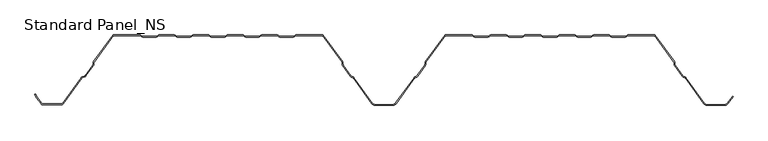
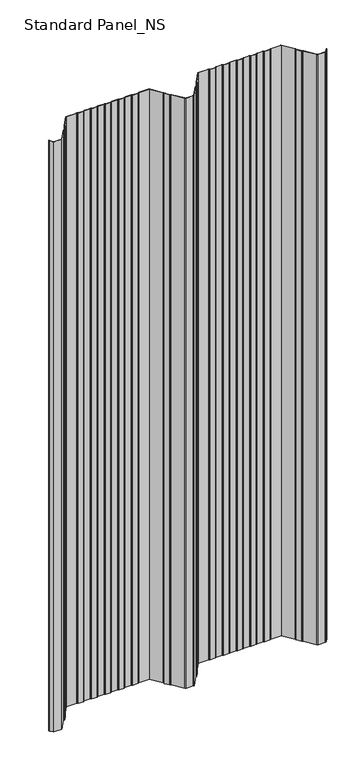
"""IFC4 building model written with IfcOpenShell, lengths in millimetres: proxy geometry, Standard Panel_NS."""

from ifc_helpers import new_model, si_unit, point, frame, frame_2d, origin, place, context, project, spatial, polyline, circle_curve, trimmed, segment, composite_curve, outline, extrude, source, transform, mapped, element, save


def standard_panel_ns_c4294a76(model_context):
    return source(origin(), model_context, "Body", "SweptSolid", [
        extrude(outline(composite_curve([segment(polyline([(-477.8230656, -98.864737), (-484.391455, -89.8048897), (-486.5883845, -85.4014829), (-485.6935696, -84.9550455), (-483.5334489, -89.2846747), (-477.0134552, -98.2777695)]), True, "CONTINUOUS"), segment(trimmed(circle_curve(frame_2d((-475.5977664, -97.2513951)), 1.7486049), [point((-477.0134552, -98.2777695))], [point((-475.5977664, -99.0))], True, "CARTESIAN"), True, "CONTINUOUS"), segment(polyline([(-475.5977664, -99.0), (-448.4022336, -99.0)]), True, "CONTINUOUS"), segment(trimmed(circle_curve(frame_2d((-448.4022336, -97.2513951)), 1.7486049), [point((-448.4022336, -99.0))], [point((-446.9865448, -98.2777695))], True, "CARTESIAN"), True, "CONTINUOUS"), segment(polyline([(-446.9865448, -98.2777695), (-420.1908292, -61.3181617)]), True, "CONTINUOUS"), segment(trimmed(circle_curve(frame_2d((-417.96553, -62.9315037)), 2.7486049), [point((-420.1908292, -61.3181617))], [point((-418.9221697, -60.3547481))], False, "CARTESIAN"), True, "CONTINUOUS"), segment(polyline([(-418.9221697, -60.3547481), (-415.1284966, -58.9463185)]), True, "CONTINUOUS"), segment(trimmed(circle_curve(frame_2d((-415.7370908, -57.3070406)), 1.7486049), [point((-415.1284966, -58.9463185))], [point((-414.321402, -58.333415))], True, "CARTESIAN"), True, "CONTINUOUS"), segment(polyline([(-414.321402, -58.333415), (-403.5718646, -43.5064668)]), True, "CONTINUOUS"), segment(trimmed(circle_curve(frame_2d((-404.9875533, -42.4800924)), 1.7486049), [point((-403.5718646, -43.5064668))], [point((-403.240299, -42.5488047))], True, "CARTESIAN"), True, "CONTINUOUS"), segment(polyline([(-403.240299, -42.5488047), (-403.1521237, -40.3066321)]), True, "CONTINUOUS"), segment(trimmed(circle_curve(frame_2d((-400.4056417, -40.4146398)), 2.7486049), [point((-403.1521237, -40.3066321))], [point((-402.6309409, -38.8012978))], False, "CARTESIAN"), True, "CONTINUOUS"), segment(polyline([(-402.6309409, -38.8012978), (-374.5, 0.0), (-336.1655439, 0.0)]), True, "CONTINUOUS"), segment(trimmed(circle_curve(frame_2d((-336.1655439, -2.7486049)), 2.7486049), [point((-336.1655439, 0.0))], [point((-334.6408923, -0.4616274))], False, "CARTESIAN"), True, "CONTINUOUS"), segment(polyline([(-334.6408923, -0.4616274), (-332.7738498, -1.7063223)]), True, "CONTINUOUS"), segment(trimmed(circle_curve(frame_2d((-331.8038984, -0.2513951)), 1.7486049), [point((-332.7738498, -1.7063223))], [point((-331.8038984, -2.0))], True, "CARTESIAN"), True, "CONTINUOUS"), segment(polyline([(-331.8038984, -2.0), (-312.8627683, -2.0)]), True, "CONTINUOUS"), segment(trimmed(circle_curve(frame_2d((-312.8627683, -0.2513951)), 1.7486049), [point((-312.8627683, -2.0))], [point((-311.8928168, -1.7063223))], True, "CARTESIAN"), True, "CONTINUOUS"), segment(polyline([(-311.8928168, -1.7063223), (-310.0257744, -0.4616274)]), True, "CONTINUOUS"), segment(trimmed(circle_curve(frame_2d((-308.5011227, -2.7486049)), 2.7486049), [point((-310.0257744, -0.4616274))], [point((-308.5011227, 0.0))], False, "CARTESIAN"), True, "CONTINUOUS"), segment(polyline([(-308.5011227, 0.0), (-286.9988773, 0.0)]), True, "CONTINUOUS"), segment(trimmed(circle_curve(frame_2d((-286.9988773, -2.7486049)), 2.7486049), [point((-286.9988773, 0.0))], [point((-285.4742256, -0.4616274))], False, "CARTESIAN"), True, "CONTINUOUS"), segment(polyline([(-285.4742256, -0.4616274), (-283.6071832, -1.7063223)]), True, "CONTINUOUS"), segment(trimmed(circle_curve(frame_2d((-282.6372317, -0.2513951)), 1.7486049), [point((-283.6071832, -1.7063223))], [point((-282.6372317, -2.0))], True, "CARTESIAN"), True, "CONTINUOUS"), segment(polyline([(-282.6372317, -2.0), (-263.6961016, -2.0)]), True, "CONTINUOUS"), segment(trimmed(circle_curve(frame_2d((-263.6961016, -0.2513951)), 1.7486049), [point((-263.6961016, -2.0))], [point((-262.7261502, -1.7063223))], True, "CARTESIAN"), True, "CONTINUOUS"), segment(polyline([(-262.7261502, -1.7063223), (-260.8591077, -0.4616274)]), True, "CONTINUOUS"), segment(trimmed(circle_curve(frame_2d((-259.3344561, -2.7486049)), 2.7486049), [point((-260.8591077, -0.4616274))], [point((-259.3344561, 0.0))], False, "CARTESIAN"), True, "CONTINUOUS"), segment(polyline([(-259.3344561, 0.0), (-237.8322106, 0.0)]), True, "CONTINUOUS"), segment(trimmed(circle_curve(frame_2d((-237.8322106, -2.7486049)), 2.7486049), [point((-237.8322106, 0.0))], [point((-236.3075589, -0.4616274))], False, "CARTESIAN"), True, "CONTINUOUS"), segment(polyline([(-236.3075589, -0.4616274), (-234.4405165, -1.7063223)]), True, "CONTINUOUS"), segment(trimmed(circle_curve(frame_2d((-233.470565, -0.2513951)), 1.7486049), [point((-234.4405165, -1.7063223))], [point((-233.470565, -2.0))], True, "CARTESIAN"), True, "CONTINUOUS"), segment(polyline([(-233.470565, -2.0), (-214.529435, -2.0)]), True, "CONTINUOUS"), segment(trimmed(circle_curve(frame_2d((-214.529435, -0.2513951)), 1.7486049), [point((-214.529435, -2.0))], [point((-213.5594835, -1.7063223))], True, "CARTESIAN"), True, "CONTINUOUS"), segment(polyline([(-213.5594835, -1.7063223), (-211.6924411, -0.4616274)]), True, "CONTINUOUS"), segment(trimmed(circle_curve(frame_2d((-210.1677894, -2.7486049)), 2.7486049), [point((-211.6924411, -0.4616274))], [point((-210.1677894, 0.0))], False, "CARTESIAN"), True, "CONTINUOUS"), segment(polyline([(-210.1677894, 0.0), (-188.6655439, 0.0)]), True, "CONTINUOUS"), segment(trimmed(circle_curve(frame_2d((-188.6655439, -2.7486049)), 2.7486049), [point((-188.6655439, 0.0))], [point((-187.1408923, -0.4616274))], False, "CARTESIAN"), True, "CONTINUOUS"), segment(polyline([(-187.1408923, -0.4616274), (-185.2738498, -1.7063223)]), True, "CONTINUOUS"), segment(trimmed(circle_curve(frame_2d((-184.3038984, -0.2513951)), 1.7486049), [point((-185.2738498, -1.7063223))], [point((-184.3038984, -2.0))], True, "CARTESIAN"), True, "CONTINUOUS"), segment(polyline([(-184.3038984, -2.0), (-165.3627683, -2.0)]), True, "CONTINUOUS"), segment(trimmed(circle_curve(frame_2d((-165.3627683, -0.2513951)), 1.7486049), [point((-165.3627683, -2.0))], [point((-164.3928168, -1.7063223))], True, "CARTESIAN"), True, "CONTINUOUS"), segment(polyline([(-164.3928168, -1.7063223), (-162.5257744, -0.4616274)]), True, "CONTINUOUS"), segment(trimmed(circle_curve(frame_2d((-161.0011227, -2.7486049)), 2.7486049), [point((-162.5257744, -0.4616274))], [point((-161.0011227, 0.0))], False, "CARTESIAN"), True, "CONTINUOUS"), segment(polyline([(-161.0011227, 0.0), (-139.4988773, 0.0)]), True, "CONTINUOUS"), segment(trimmed(circle_curve(frame_2d((-139.4988773, -2.7486049)), 2.7486049), [point((-139.4988773, 0.0))], [point((-137.9742256, -0.4616274))], False, "CARTESIAN"), True, "CONTINUOUS"), segment(polyline([(-137.9742256, -0.4616274), (-136.1071832, -1.7063223)]), True, "CONTINUOUS"), segment(trimmed(circle_curve(frame_2d((-135.1372317, -0.2513951)), 1.7486049), [point((-136.1071832, -1.7063223))], [point((-135.1372317, -2.0))], True, "CARTESIAN"), True, "CONTINUOUS"), segment(polyline([(-135.1372317, -2.0), (-116.1961016, -2.0)]), True, "CONTINUOUS"), segment(trimmed(circle_curve(frame_2d((-116.1961016, -0.2513951)), 1.7486049), [point((-116.1961016, -2.0))], [point((-115.2261502, -1.7063223))], True, "CARTESIAN"), True, "CONTINUOUS"), segment(polyline([(-115.2261502, -1.7063223), (-113.3591077, -0.4616274)]), True, "CONTINUOUS"), segment(trimmed(circle_curve(frame_2d((-111.8344561, -2.7486049)), 2.7486049), [point((-113.3591077, -0.4616274))], [point((-111.8344561, 0.0))], False, "CARTESIAN"), True, "CONTINUOUS"), segment(polyline([(-111.8344561, 0.0), (-73.5, 0.0), (-45.3690591, -38.8012978)]), True, "CONTINUOUS"), segment(trimmed(circle_curve(frame_2d((-47.5943583, -40.4146398)), 2.7486049), [point((-45.3690591, -38.8012978))], [point((-44.8478763, -40.3066321))], False, "CARTESIAN"), True, "CONTINUOUS"), segment(polyline([(-44.8478763, -40.3066321), (-44.759701, -42.5488047)]), True, "CONTINUOUS"), segment(trimmed(circle_curve(frame_2d((-43.0124467, -42.4800924)), 1.7486049), [point((-44.759701, -42.5488047))], [point((-44.4281354, -43.5064668))], True, "CARTESIAN"), True, "CONTINUOUS"), segment(polyline([(-44.4281354, -43.5064668), (-33.3103063, -58.8414035)]), True, "CONTINUOUS"), segment(trimmed(circle_curve(frame_2d((-31.8946175, -57.8150291)), 1.7486049), [point((-33.3103063, -58.8414035))], [point((-32.5032117, -59.4543071))], True, "CARTESIAN"), True, "CONTINUOUS"), segment(polyline([(-32.5032117, -59.4543071), (-30.3996004, -60.2352885)]), True, "CONTINUOUS"), segment(trimmed(circle_curve(frame_2d((-31.3562402, -62.8120441)), 2.7486049), [point((-30.3996004, -60.2352885))], [point((-29.1309409, -61.1987022))], False, "CARTESIAN"), True, "CONTINUOUS"), segment(polyline([(-29.1309409, -61.1987022), (-2.4972426, -97.9348379)]), True, "CONTINUOUS"), segment(trimmed(circle_curve(frame_2d((1.5508097, -95.0)), 5.0), [point((-2.4972426, -97.9348379))], [point((1.5508097, -100.0))], True, "CARTESIAN"), True, "CONTINUOUS"), segment(polyline([(1.5508097, -100.0), (26.4491903, -100.0)]), True, "CONTINUOUS"), segment(trimmed(circle_curve(frame_2d((26.4491903, -95.0)), 5.0), [point((26.4491903, -100.0))], [point((30.4972426, -97.9348379))], True, "CARTESIAN"), True, "CONTINUOUS"), segment(polyline([(30.4972426, -97.9348379), (57.1309409, -61.1987022)]), True, "CONTINUOUS"), segment(trimmed(circle_curve(frame_2d((59.3562402, -62.8120441)), 2.7486049), [point((57.1309409, -61.1987022))], [point((58.3996004, -60.2352885))], False, "CARTESIAN"), True, "CONTINUOUS"), segment(polyline([(58.3996004, -60.2352885), (60.5032117, -59.4543071)]), True, "CONTINUOUS"), segment(trimmed(circle_curve(frame_2d((59.8946175, -57.8150291)), 1.7486049), [point((60.5032117, -59.4543071))], [point((61.3103063, -58.8414035))], True, "CARTESIAN"), True, "CONTINUOUS"), segment(polyline([(61.3103063, -58.8414035), (72.4281354, -43.5064668)]), True, "CONTINUOUS"), segment(trimmed(circle_curve(frame_2d((71.0124467, -42.4800924)), 1.7486049), [point((72.4281354, -43.5064668))], [point((72.759701, -42.5488047))], True, "CARTESIAN"), True, "CONTINUOUS"), segment(polyline([(72.759701, -42.5488047), (72.8478763, -40.3066321)]), True, "CONTINUOUS"), segment(trimmed(circle_curve(frame_2d((75.5943583, -40.4146398)), 2.7486049), [point((72.8478763, -40.3066321))], [point((73.3690591, -38.8012978))], False, "CARTESIAN"), True, "CONTINUOUS"), segment(polyline([(73.3690591, -38.8012978), (101.5, 0.0), (139.8344561, 0.0)]), True, "CONTINUOUS"), segment(trimmed(circle_curve(frame_2d((139.8344561, -2.7486049)), 2.7486049), [point((139.8344561, 0.0))], [point((141.3591077, -0.4616274))], False, "CARTESIAN"), True, "CONTINUOUS"), segment(polyline([(141.3591077, -0.4616274), (143.2261502, -1.7063223)]), True, "CONTINUOUS"), segment(trimmed(circle_curve(frame_2d((144.1961016, -0.2513951)), 1.7486049), [point((143.2261502, -1.7063223))], [point((144.1961016, -2.0))], True, "CARTESIAN"), True, "CONTINUOUS"), segment(polyline([(144.1961016, -2.0), (163.1372317, -2.0)]), True, "CONTINUOUS"), segment(trimmed(circle_curve(frame_2d((163.1372317, -0.2513951)), 1.7486049), [point((163.1372317, -2.0))], [point((164.1071832, -1.7063223))], True, "CARTESIAN"), True, "CONTINUOUS"), segment(polyline([(164.1071832, -1.7063223), (165.9742256, -0.4616274)]), True, "CONTINUOUS"), segment(trimmed(circle_curve(frame_2d((167.4988773, -2.7486049)), 2.7486049), [point((165.9742256, -0.4616274))], [point((167.4988773, 0.0))], False, "CARTESIAN"), True, "CONTINUOUS"), segment(polyline([(167.4988773, 0.0), (189.0011227, 0.0)]), True, "CONTINUOUS"), segment(trimmed(circle_curve(frame_2d((189.0011227, -2.7486049)), 2.7486049), [point((189.0011227, 0.0))], [point((190.5257744, -0.4616274))], False, "CARTESIAN"), True, "CONTINUOUS"), segment(polyline([(190.5257744, -0.4616274), (192.3928168, -1.7063223)]), True, "CONTINUOUS"), segment(trimmed(circle_curve(frame_2d((193.3627683, -0.2513951)), 1.7486049), [point((192.3928168, -1.7063223))], [point((193.3627683, -2.0))], True, "CARTESIAN"), True, "CONTINUOUS"), segment(polyline([(193.3627683, -2.0), (212.3038984, -2.0)]), True, "CONTINUOUS"), segment(trimmed(circle_curve(frame_2d((212.3038984, -0.2513951)), 1.7486049), [point((212.3038984, -2.0))], [point((213.2738498, -1.7063223))], True, "CARTESIAN"), True, "CONTINUOUS"), segment(polyline([(213.2738498, -1.7063223), (215.1408923, -0.4616274)]), True, "CONTINUOUS"), segment(trimmed(circle_curve(frame_2d((216.6655439, -2.7486049)), 2.7486049), [point((215.1408923, -0.4616274))], [point((216.6655439, 0.0))], False, "CARTESIAN"), True, "CONTINUOUS"), segment(polyline([(216.6655439, 0.0), (238.1677894, 0.0)]), True, "CONTINUOUS"), segment(trimmed(circle_curve(frame_2d((238.1677894, -2.7486049)), 2.7486049), [point((238.1677894, 0.0))], [point((239.6924411, -0.4616274))], False, "CARTESIAN"), True, "CONTINUOUS"), segment(polyline([(239.6924411, -0.4616274), (241.5594835, -1.7063223)]), True, "CONTINUOUS"), segment(trimmed(circle_curve(frame_2d((242.529435, -0.2513951)), 1.7486049), [point((241.5594835, -1.7063223))], [point((242.529435, -2.0))], True, "CARTESIAN"), True, "CONTINUOUS"), segment(polyline([(242.529435, -2.0), (261.470565, -2.0)]), True, "CONTINUOUS"), segment(trimmed(circle_curve(frame_2d((261.470565, -0.2513951)), 1.7486049), [point((261.470565, -2.0))], [point((262.4405165, -1.7063223))], True, "CARTESIAN"), True, "CONTINUOUS"), segment(polyline([(262.4405165, -1.7063223), (264.3075589, -0.4616274)]), True, "CONTINUOUS"), segment(trimmed(circle_curve(frame_2d((265.8322106, -2.7486049)), 2.7486049), [point((264.3075589, -0.4616274))], [point((265.8322106, 0.0))], False, "CARTESIAN"), True, "CONTINUOUS"), segment(polyline([(265.8322106, 0.0), (287.3344561, 0.0)]), True, "CONTINUOUS"), segment(trimmed(circle_curve(frame_2d((287.3344561, -2.7486049)), 2.7486049), [point((287.3344561, 0.0))], [point((288.8591077, -0.4616274))], False, "CARTESIAN"), True, "CONTINUOUS"), segment(polyline([(288.8591077, -0.4616274), (290.7261502, -1.7063223)]), True, "CONTINUOUS"), segment(trimmed(circle_curve(frame_2d((291.6961016, -0.2513951)), 1.7486049), [point((290.7261502, -1.7063223))], [point((291.6961016, -2.0))], True, "CARTESIAN"), True, "CONTINUOUS"), segment(polyline([(291.6961016, -2.0), (310.6372317, -2.0)]), True, "CONTINUOUS"), segment(trimmed(circle_curve(frame_2d((310.6372317, -0.2513951)), 1.7486049), [point((310.6372317, -2.0))], [point((311.6071832, -1.7063223))], True, "CARTESIAN"), True, "CONTINUOUS"), segment(polyline([(311.6071832, -1.7063223), (313.4742256, -0.4616274)]), True, "CONTINUOUS"), segment(trimmed(circle_curve(frame_2d((314.9988773, -2.7486049)), 2.7486049), [point((313.4742256, -0.4616274))], [point((314.9988773, 0.0))], False, "CARTESIAN"), True, "CONTINUOUS"), segment(polyline([(314.9988773, 0.0), (336.5011227, 0.0)]), True, "CONTINUOUS"), segment(trimmed(circle_curve(frame_2d((336.5011227, -2.7486049)), 2.7486049), [point((336.5011227, 0.0))], [point((338.0257744, -0.4616274))], False, "CARTESIAN"), True, "CONTINUOUS"), segment(polyline([(338.0257744, -0.4616274), (339.8928168, -1.7063223)]), True, "CONTINUOUS"), segment(trimmed(circle_curve(frame_2d((340.8627683, -0.2513951)), 1.7486049), [point((339.8928168, -1.7063223))], [point((340.8627683, -2.0))], True, "CARTESIAN"), True, "CONTINUOUS"), segment(polyline([(340.8627683, -2.0), (359.8038984, -2.0)]), True, "CONTINUOUS"), segment(trimmed(circle_curve(frame_2d((359.8038984, -0.2513951)), 1.7486049), [point((359.8038984, -2.0))], [point((360.7738498, -1.7063223))], True, "CARTESIAN"), True, "CONTINUOUS"), segment(polyline([(360.7738498, -1.7063223), (362.6408923, -0.4616274)]), True, "CONTINUOUS"), segment(trimmed(circle_curve(frame_2d((364.1655439, -2.7486049)), 2.7486049), [point((362.6408923, -0.4616274))], [point((364.1655439, 0.0))], False, "CARTESIAN"), True, "CONTINUOUS"), segment(polyline([(364.1655439, 0.0), (402.5, 0.0), (430.6309409, -38.8012978)]), True, "CONTINUOUS"), segment(trimmed(circle_curve(frame_2d((428.4056417, -40.4146398)), 2.7486049), [point((430.6309409, -38.8012978))], [point((431.1521237, -40.3066321))], False, "CARTESIAN"), True, "CONTINUOUS"), segment(polyline([(431.1521237, -40.3066321), (431.240299, -42.5488047)]), True, "CONTINUOUS"), segment(trimmed(circle_curve(frame_2d((432.9875533, -42.4800924)), 1.7486049), [point((431.240299, -42.5488047))], [point((431.5718646, -43.5064668))], True, "CARTESIAN"), True, "CONTINUOUS"), segment(polyline([(431.5718646, -43.5064668), (442.6896937, -58.8414035)]), True, "CONTINUOUS"), segment(trimmed(circle_curve(frame_2d((444.1053825, -57.8150291)), 1.7486049), [point((442.6896937, -58.8414035))], [point((443.4967883, -59.4543071))], True, "CARTESIAN"), True, "CONTINUOUS"), segment(polyline([(443.4967883, -59.4543071), (445.6003996, -60.2352885)]), True, "CONTINUOUS"), segment(trimmed(circle_curve(frame_2d((444.6437598, -62.8120441)), 2.7486049), [point((445.6003996, -60.2352885))], [point((446.8690591, -61.1987022))], False, "CARTESIAN"), True, "CONTINUOUS"), segment(polyline([(446.8690591, -61.1987022), (473.5027574, -97.9348379)]), True, "CONTINUOUS"), segment(trimmed(circle_curve(frame_2d((477.5508097, -95.0)), 5.0), [point((473.5027574, -97.9348379))], [point((477.5508097, -100.0))], True, "CARTESIAN"), True, "CONTINUOUS"), segment(polyline([(477.5508097, -100.0), (502.4491903, -100.0)]), True, "CONTINUOUS"), segment(trimmed(circle_curve(frame_2d((502.4491903, -95.0)), 5.0), [point((502.4491903, -100.0))], [point((506.4972426, -97.9348379))], True, "CARTESIAN"), True, "CONTINUOUS"), segment(polyline([(506.4972426, -97.9348379), (513.8045136, -87.8558433), (514.614124, -88.4428109), (507.306853, -98.5218054)]), True, "CONTINUOUS"), segment(trimmed(circle_curve(frame_2d((502.4491903, -95.0)), 6.0), [point((507.306853, -98.5218054))], [point((502.4491903, -101.0))], False, "CARTESIAN"), True, "CONTINUOUS"), segment(polyline([(502.4491903, -101.0), (477.5508097, -101.0)]), True, "CONTINUOUS"), segment(trimmed(circle_curve(frame_2d((477.5508097, -95.0)), 6.0), [point((477.5508097, -101.0))], [point((472.693147, -98.5218054))], False, "CARTESIAN"), True, "CONTINUOUS"), segment(polyline([(472.693147, -98.5218054), (446.0594486, -61.7856697)]), True, "CONTINUOUS"), segment(trimmed(circle_curve(frame_2d((444.6437598, -62.8120441)), 1.7486049), [point((446.0594486, -61.7856697))], [point((445.252354, -61.1727662))], True, "CARTESIAN"), True, "CONTINUOUS"), segment(polyline([(445.252354, -61.1727662), (443.1487427, -60.3917847)]), True, "CONTINUOUS"), segment(trimmed(circle_curve(frame_2d((444.1053825, -57.8150291)), 2.7486049), [point((443.1487427, -60.3917847))], [point((441.8800832, -59.4283711))], False, "CARTESIAN"), True, "CONTINUOUS"), segment(polyline([(441.8800832, -59.4283711), (430.7622541, -44.0934344)]), True, "CONTINUOUS"), segment(trimmed(circle_curve(frame_2d((432.9875533, -42.4800924)), 2.7486049), [point((430.7622541, -44.0934344))], [point((430.2410714, -42.5881001))], False, "CARTESIAN"), True, "CONTINUOUS"), segment(polyline([(430.2410714, -42.5881001), (430.152896, -40.3459275)]), True, "CONTINUOUS"), segment(trimmed(circle_curve(frame_2d((428.4056417, -40.4146398)), 1.7486049), [point((430.152896, -40.3459275))], [point((429.8213305, -39.3882654))], True, "CARTESIAN"), True, "CONTINUOUS"), segment(polyline([(429.8213305, -39.3882654), (401.9898381, -1.0), (364.1655439, -1.0)]), True, "CONTINUOUS"), segment(trimmed(circle_curve(frame_2d((364.1655439, -2.7486049)), 1.7486049), [point((364.1655439, -1.0))], [point((363.1955925, -1.2936777))], True, "CARTESIAN"), True, "CONTINUOUS"), segment(polyline([(363.1955925, -1.2936777), (361.32855, -2.5383726)]), True, "CONTINUOUS"), segment(trimmed(circle_curve(frame_2d((359.8038984, -0.2513951)), 2.7486049), [point((361.32855, -2.5383726))], [point((359.8038984, -3.0))], False, "CARTESIAN"), True, "CONTINUOUS"), segment(polyline([(359.8038984, -3.0), (340.8627683, -3.0)]), True, "CONTINUOUS"), segment(trimmed(circle_curve(frame_2d((340.8627683, -0.2513951)), 2.7486049), [point((340.8627683, -3.0))], [point((339.3381166, -2.5383726))], False, "CARTESIAN"), True, "CONTINUOUS"), segment(polyline([(339.3381166, -2.5383726), (337.4710742, -1.2936777)]), True, "CONTINUOUS"), segment(trimmed(circle_curve(frame_2d((336.5011227, -2.7486049)), 1.7486049), [point((337.4710742, -1.2936777))], [point((336.5011227, -1.0))], True, "CARTESIAN"), True, "CONTINUOUS"), segment(polyline([(336.5011227, -1.0), (314.9988773, -1.0)]), True, "CONTINUOUS"), segment(trimmed(circle_curve(frame_2d((314.9988773, -2.7486049)), 1.7486049), [point((314.9988773, -1.0))], [point((314.0289258, -1.2936777))], True, "CARTESIAN"), True, "CONTINUOUS"), segment(polyline([(314.0289258, -1.2936777), (312.1618834, -2.5383726)]), True, "CONTINUOUS"), segment(trimmed(circle_curve(frame_2d((310.6372317, -0.2513951)), 2.7486049), [point((312.1618834, -2.5383726))], [point((310.6372317, -3.0))], False, "CARTESIAN"), True, "CONTINUOUS"), segment(polyline([(310.6372317, -3.0), (291.6961016, -3.0)]), True, "CONTINUOUS"), segment(trimmed(circle_curve(frame_2d((291.6961016, -0.2513951)), 2.7486049), [point((291.6961016, -3.0))], [point((290.17145, -2.5383726))], False, "CARTESIAN"), True, "CONTINUOUS"), segment(polyline([(290.17145, -2.5383726), (288.3044075, -1.2936777)]), True, "CONTINUOUS"), segment(trimmed(circle_curve(frame_2d((287.3344561, -2.7486049)), 1.7486049), [point((288.3044075, -1.2936777))], [point((287.3344561, -1.0))], True, "CARTESIAN"), True, "CONTINUOUS"), segment(polyline([(287.3344561, -1.0), (265.8322106, -1.0)]), True, "CONTINUOUS"), segment(trimmed(circle_curve(frame_2d((265.8322106, -2.7486049)), 1.7486049), [point((265.8322106, -1.0))], [point((264.8622591, -1.2936777))], True, "CARTESIAN"), True, "CONTINUOUS"), segment(polyline([(264.8622591, -1.2936777), (262.9952167, -2.5383726)]), True, "CONTINUOUS"), segment(trimmed(circle_curve(frame_2d((261.470565, -0.2513951)), 2.7486049), [point((262.9952167, -2.5383726))], [point((261.470565, -3.0))], False, "CARTESIAN"), True, "CONTINUOUS"), segment(polyline([(261.470565, -3.0), (242.529435, -3.0)]), True, "CONTINUOUS"), segment(trimmed(circle_curve(frame_2d((242.529435, -0.2513951)), 2.7486049), [point((242.529435, -3.0))], [point((241.0047833, -2.5383726))], False, "CARTESIAN"), True, "CONTINUOUS"), segment(polyline([(241.0047833, -2.5383726), (239.1377409, -1.2936777)]), True, "CONTINUOUS"), segment(trimmed(circle_curve(frame_2d((238.1677894, -2.7486049)), 1.7486049), [point((239.1377409, -1.2936777))], [point((238.1677894, -1.0))], True, "CARTESIAN"), True, "CONTINUOUS"), segment(polyline([(238.1677894, -1.0), (216.6655439, -1.0)]), True, "CONTINUOUS"), segment(trimmed(circle_curve(frame_2d((216.6655439, -2.7486049)), 1.7486049), [point((216.6655439, -1.0))], [point((215.6955925, -1.2936777))], True, "CARTESIAN"), True, "CONTINUOUS"), segment(polyline([(215.6955925, -1.2936777), (213.82855, -2.5383726)]), True, "CONTINUOUS"), segment(trimmed(circle_curve(frame_2d((212.3038984, -0.2513951)), 2.7486049), [point((213.82855, -2.5383726))], [point((212.3038984, -3.0))], False, "CARTESIAN"), True, "CONTINUOUS"), segment(polyline([(212.3038984, -3.0), (193.3627683, -3.0)]), True, "CONTINUOUS"), segment(trimmed(circle_curve(frame_2d((193.3627683, -0.2513951)), 2.7486049), [point((193.3627683, -3.0))], [point((191.8381166, -2.5383726))], False, "CARTESIAN"), True, "CONTINUOUS"), segment(polyline([(191.8381166, -2.5383726), (189.9710742, -1.2936777)]), True, "CONTINUOUS"), segment(trimmed(circle_curve(frame_2d((189.0011227, -2.7486049)), 1.7486049), [point((189.9710742, -1.2936777))], [point((189.0011227, -1.0))], True, "CARTESIAN"), True, "CONTINUOUS"), segment(polyline([(189.0011227, -1.0), (167.4988773, -1.0)]), True, "CONTINUOUS"), segment(trimmed(circle_curve(frame_2d((167.4988773, -2.7486049)), 1.7486049), [point((167.4988773, -1.0))], [point((166.5289258, -1.2936777))], True, "CARTESIAN"), True, "CONTINUOUS"), segment(polyline([(166.5289258, -1.2936777), (164.6618834, -2.5383726)]), True, "CONTINUOUS"), segment(trimmed(circle_curve(frame_2d((163.1372317, -0.2513951)), 2.7486049), [point((164.6618834, -2.5383726))], [point((163.1372317, -3.0))], False, "CARTESIAN"), True, "CONTINUOUS"), segment(polyline([(163.1372317, -3.0), (144.1961016, -3.0)]), True, "CONTINUOUS"), segment(trimmed(circle_curve(frame_2d((144.1961016, -0.2513951)), 2.7486049), [point((144.1961016, -3.0))], [point((142.67145, -2.5383726))], False, "CARTESIAN"), True, "CONTINUOUS"), segment(polyline([(142.67145, -2.5383726), (140.8044075, -1.2936777)]), True, "CONTINUOUS"), segment(trimmed(circle_curve(frame_2d((139.8344561, -2.7486049)), 1.7486049), [point((140.8044075, -1.2936777))], [point((139.8344561, -1.0))], True, "CARTESIAN"), True, "CONTINUOUS"), segment(polyline([(139.8344561, -1.0), (102.0101619, -1.0), (74.1786695, -39.3882654)]), True, "CONTINUOUS"), segment(trimmed(circle_curve(frame_2d((75.5943583, -40.4146398)), 1.7486049), [point((74.1786695, -39.3882654))], [point((73.847104, -40.3459275))], True, "CARTESIAN"), True, "CONTINUOUS"), segment(polyline([(73.847104, -40.3459275), (73.7589286, -42.5881001)]), True, "CONTINUOUS"), segment(trimmed(circle_curve(frame_2d((71.0124467, -42.4800924)), 2.7486049), [point((73.7589286, -42.5881001))], [point((73.2377459, -44.0934344))], False, "CARTESIAN"), True, "CONTINUOUS"), segment(polyline([(73.2377459, -44.0934344), (62.1199168, -59.4283711)]), True, "CONTINUOUS"), segment(trimmed(circle_curve(frame_2d((59.8946175, -57.8150291)), 2.7486049), [point((62.1199168, -59.4283711))], [point((60.8512573, -60.3917847))], False, "CARTESIAN"), True, "CONTINUOUS"), segment(polyline([(60.8512573, -60.3917847), (58.747646, -61.1727662)]), True, "CONTINUOUS"), segment(trimmed(circle_curve(frame_2d((59.3562402, -62.8120441)), 1.7486049), [point((58.747646, -61.1727662))], [point((57.9405514, -61.7856697))], True, "CARTESIAN"), True, "CONTINUOUS"), segment(polyline([(57.9405514, -61.7856697), (31.306853, -98.5218054)]), True, "CONTINUOUS"), segment(trimmed(circle_curve(frame_2d((26.4491903, -95.0)), 6.0), [point((31.306853, -98.5218054))], [point((26.4491903, -101.0))], False, "CARTESIAN"), True, "CONTINUOUS"), segment(polyline([(26.4491903, -101.0), (1.5508097, -101.0)]), True, "CONTINUOUS"), segment(trimmed(circle_curve(frame_2d((1.5508097, -95.0)), 6.0), [point((1.5508097, -101.0))], [point((-3.306853, -98.5218054))], False, "CARTESIAN"), True, "CONTINUOUS"), segment(polyline([(-3.306853, -98.5218054), (-29.9405514, -61.7856697)]), True, "CONTINUOUS"), segment(trimmed(circle_curve(frame_2d((-31.3562402, -62.8120441)), 1.7486049), [point((-29.9405514, -61.7856697))], [point((-30.747646, -61.1727662))], True, "CARTESIAN"), True, "CONTINUOUS"), segment(polyline([(-30.747646, -61.1727662), (-32.8512573, -60.3917847)]), True, "CONTINUOUS"), segment(trimmed(circle_curve(frame_2d((-31.8946175, -57.8150291)), 2.7486049), [point((-32.8512573, -60.3917847))], [point((-34.1199168, -59.4283711))], False, "CARTESIAN"), True, "CONTINUOUS"), segment(polyline([(-34.1199168, -59.4283711), (-45.2377459, -44.0934344)]), True, "CONTINUOUS"), segment(trimmed(circle_curve(frame_2d((-43.0124467, -42.4800924)), 2.7486049), [point((-45.2377459, -44.0934344))], [point((-45.7589286, -42.5881001))], False, "CARTESIAN"), True, "CONTINUOUS"), segment(polyline([(-45.7589286, -42.5881001), (-45.847104, -40.3459275)]), True, "CONTINUOUS"), segment(trimmed(circle_curve(frame_2d((-47.5943583, -40.4146398)), 1.7486049), [point((-45.847104, -40.3459275))], [point((-46.1786695, -39.3882654))], True, "CARTESIAN"), True, "CONTINUOUS"), segment(polyline([(-46.1786695, -39.3882654), (-74.0101619, -1.0), (-111.8344561, -1.0)]), True, "CONTINUOUS"), segment(trimmed(circle_curve(frame_2d((-111.8344561, -2.7486049)), 1.7486049), [point((-111.8344561, -1.0))], [point((-112.8044075, -1.2936777))], True, "CARTESIAN"), True, "CONTINUOUS"), segment(polyline([(-112.8044075, -1.2936777), (-114.67145, -2.5383726)]), True, "CONTINUOUS"), segment(trimmed(circle_curve(frame_2d((-116.1961016, -0.2513951)), 2.7486049), [point((-114.67145, -2.5383726))], [point((-116.1961016, -3.0))], False, "CARTESIAN"), True, "CONTINUOUS"), segment(polyline([(-116.1961016, -3.0), (-135.1372317, -3.0)]), True, "CONTINUOUS"), segment(trimmed(circle_curve(frame_2d((-135.1372317, -0.2513951)), 2.7486049), [point((-135.1372317, -3.0))], [point((-136.6618834, -2.5383726))], False, "CARTESIAN"), True, "CONTINUOUS"), segment(polyline([(-136.6618834, -2.5383726), (-138.5289258, -1.2936777)]), True, "CONTINUOUS"), segment(trimmed(circle_curve(frame_2d((-139.4988773, -2.7486049)), 1.7486049), [point((-138.5289258, -1.2936777))], [point((-139.4988773, -1.0))], True, "CARTESIAN"), True, "CONTINUOUS"), segment(polyline([(-139.4988773, -1.0), (-161.0011227, -1.0)]), True, "CONTINUOUS"), segment(trimmed(circle_curve(frame_2d((-161.0011227, -2.7486049)), 1.7486049), [point((-161.0011227, -1.0))], [point((-161.9710742, -1.2936777))], True, "CARTESIAN"), True, "CONTINUOUS"), segment(polyline([(-161.9710742, -1.2936777), (-163.8381166, -2.5383726)]), True, "CONTINUOUS"), segment(trimmed(circle_curve(frame_2d((-165.3627683, -0.2513951)), 2.7486049), [point((-163.8381166, -2.5383726))], [point((-165.3627683, -3.0))], False, "CARTESIAN"), True, "CONTINUOUS"), segment(polyline([(-165.3627683, -3.0), (-184.3038984, -3.0)]), True, "CONTINUOUS"), segment(trimmed(circle_curve(frame_2d((-184.3038984, -0.2513951)), 2.7486049), [point((-184.3038984, -3.0))], [point((-185.82855, -2.5383726))], False, "CARTESIAN"), True, "CONTINUOUS"), segment(polyline([(-185.82855, -2.5383726), (-187.6955925, -1.2936777)]), True, "CONTINUOUS"), segment(trimmed(circle_curve(frame_2d((-188.6655439, -2.7486049)), 1.7486049), [point((-187.6955925, -1.2936777))], [point((-188.6655439, -1.0))], True, "CARTESIAN"), True, "CONTINUOUS"), segment(polyline([(-188.6655439, -1.0), (-210.1677894, -1.0)]), True, "CONTINUOUS"), segment(trimmed(circle_curve(frame_2d((-210.1677894, -2.7486049)), 1.7486049), [point((-210.1677894, -1.0))], [point((-211.1377409, -1.2936777))], True, "CARTESIAN"), True, "CONTINUOUS"), segment(polyline([(-211.1377409, -1.2936777), (-213.0047833, -2.5383726)]), True, "CONTINUOUS"), segment(trimmed(circle_curve(frame_2d((-214.529435, -0.2513951)), 2.7486049), [point((-213.0047833, -2.5383726))], [point((-214.529435, -3.0))], False, "CARTESIAN"), True, "CONTINUOUS"), segment(polyline([(-214.529435, -3.0), (-233.470565, -3.0)]), True, "CONTINUOUS"), segment(trimmed(circle_curve(frame_2d((-233.470565, -0.2513951)), 2.7486049), [point((-233.470565, -3.0))], [point((-234.9952167, -2.5383726))], False, "CARTESIAN"), True, "CONTINUOUS"), segment(polyline([(-234.9952167, -2.5383726), (-236.8622591, -1.2936777)]), True, "CONTINUOUS"), segment(trimmed(circle_curve(frame_2d((-237.8322106, -2.7486049)), 1.7486049), [point((-236.8622591, -1.2936777))], [point((-237.8322106, -1.0))], True, "CARTESIAN"), True, "CONTINUOUS"), segment(polyline([(-237.8322106, -1.0), (-259.3344561, -1.0)]), True, "CONTINUOUS"), segment(trimmed(circle_curve(frame_2d((-259.3344561, -2.7486049)), 1.7486049), [point((-259.3344561, -1.0))], [point((-260.3044075, -1.2936777))], True, "CARTESIAN"), True, "CONTINUOUS"), segment(polyline([(-260.3044075, -1.2936777), (-262.17145, -2.5383726)]), True, "CONTINUOUS"), segment(trimmed(circle_curve(frame_2d((-263.6961016, -0.2513951)), 2.7486049), [point((-262.17145, -2.5383726))], [point((-263.6961016, -3.0))], False, "CARTESIAN"), True, "CONTINUOUS"), segment(polyline([(-263.6961016, -3.0), (-282.6372317, -3.0)]), True, "CONTINUOUS"), segment(trimmed(circle_curve(frame_2d((-282.6372317, -0.2513951)), 2.7486049), [point((-282.6372317, -3.0))], [point((-284.1618834, -2.5383726))], False, "CARTESIAN"), True, "CONTINUOUS"), segment(polyline([(-284.1618834, -2.5383726), (-286.0289258, -1.2936777)]), True, "CONTINUOUS"), segment(trimmed(circle_curve(frame_2d((-286.9988773, -2.7486049)), 1.7486049), [point((-286.0289258, -1.2936777))], [point((-286.9988773, -1.0))], True, "CARTESIAN"), True, "CONTINUOUS"), segment(polyline([(-286.9988773, -1.0), (-308.5011227, -1.0)]), True, "CONTINUOUS"), segment(trimmed(circle_curve(frame_2d((-308.5011227, -2.7486049)), 1.7486049), [point((-308.5011227, -1.0))], [point((-309.4710742, -1.2936777))], True, "CARTESIAN"), True, "CONTINUOUS"), segment(polyline([(-309.4710742, -1.2936777), (-311.3381166, -2.5383726)]), True, "CONTINUOUS"), segment(trimmed(circle_curve(frame_2d((-312.8627683, -0.2513951)), 2.7486049), [point((-311.3381166, -2.5383726))], [point((-312.8627683, -3.0))], False, "CARTESIAN"), True, "CONTINUOUS"), segment(polyline([(-312.8627683, -3.0), (-331.8038984, -3.0)]), True, "CONTINUOUS"), segment(trimmed(circle_curve(frame_2d((-331.8038984, -0.2513951)), 2.7486049), [point((-331.8038984, -3.0))], [point((-333.32855, -2.5383726))], False, "CARTESIAN"), True, "CONTINUOUS"), segment(polyline([(-333.32855, -2.5383726), (-335.1955925, -1.2936777)]), True, "CONTINUOUS"), segment(trimmed(circle_curve(frame_2d((-336.1655439, -2.7486049)), 1.7486049), [point((-335.1955925, -1.2936777))], [point((-336.1655439, -1.0))], True, "CARTESIAN"), True, "CONTINUOUS"), segment(polyline([(-336.1655439, -1.0), (-373.9898381, -1.0), (-401.8213305, -39.3882654)]), True, "CONTINUOUS"), segment(trimmed(circle_curve(frame_2d((-400.4056417, -40.4146398)), 1.7486049), [point((-401.8213305, -39.3882654))], [point((-402.152896, -40.3459275))], True, "CARTESIAN"), True, "CONTINUOUS"), segment(polyline([(-402.152896, -40.3459275), (-402.2410714, -42.5881001)]), True, "CONTINUOUS"), segment(trimmed(circle_curve(frame_2d((-404.9875533, -42.4800924)), 2.7486049), [point((-402.2410714, -42.5881001))], [point((-402.7622541, -44.0934344))], False, "CARTESIAN"), True, "CONTINUOUS"), segment(polyline([(-402.7622541, -44.0934344), (-413.5117915, -58.9203825)]), True, "CONTINUOUS"), segment(trimmed(circle_curve(frame_2d((-415.7370908, -57.3070406)), 2.7486049), [point((-413.5117915, -58.9203825))], [point((-414.780451, -59.8837962))], False, "CARTESIAN"), True, "CONTINUOUS"), segment(polyline([(-414.780451, -59.8837962), (-418.5741242, -61.2922257)]), True, "CONTINUOUS"), segment(trimmed(circle_curve(frame_2d((-417.96553, -62.9315037)), 1.7486049), [point((-418.5741242, -61.2922257))], [point((-419.3812187, -61.9051293))], True, "CARTESIAN"), True, "CONTINUOUS"), segment(polyline([(-419.3812187, -61.9051293), (-446.1769344, -98.864737)]), True, "CONTINUOUS"), segment(trimmed(circle_curve(frame_2d((-448.4022336, -97.2513951)), 2.7486049), [point((-446.1769344, -98.864737))], [point((-448.4022336, -100.0))], False, "CARTESIAN"), True, "CONTINUOUS"), segment(polyline([(-448.4022336, -100.0), (-475.5977664, -100.0)]), True, "CONTINUOUS"), segment(trimmed(circle_curve(frame_2d((-475.5977664, -97.2513951)), 2.7486049), [point((-475.5977664, -100.0))], [point((-477.8230656, -98.864737))], False, "CARTESIAN"), True, "CONTINUOUS")], self_intersect=False)), frame((0.0, 0.0, -250.0), z_axis=(0.0, 0.0, 1.0), x_axis=(1.0, 0.0, 0.0)), (0.0, 0.0, 1.0), 2250.0),
    ])


if __name__ == "__main__":
    model = new_model("IFC4")
    model_context = context("Model", 3, world=origin())
    ifc_project = project(units=[si_unit("LENGTHUNIT", "METRE", prefix="MILLI")], contexts=[model_context])
    site = spatial("IfcSite", under=ifc_project)
    building = spatial("IfcBuilding", under=site)
    placement = place(None, origin())
    standard_panel_ns_shape = standard_panel_ns_c4294a76(model_context)
    element("IfcBuildingElementProxy", 1, Name="Standard Panel_NS", ObjectType="Standard Panel_NS", at=placement, inside=building, context=model_context, shape_type="MappedRepresentation", body=[
        mapped(standard_panel_ns_shape, transform((0.0, 0.0, 0.0), x_axis=(1.0, 0.0, 0.0), y_axis=(0.0, 1.0, 0.0), z_axis=(0.0, 0.0, 1.0))),
    ])
    save(model, "model.ifc")
